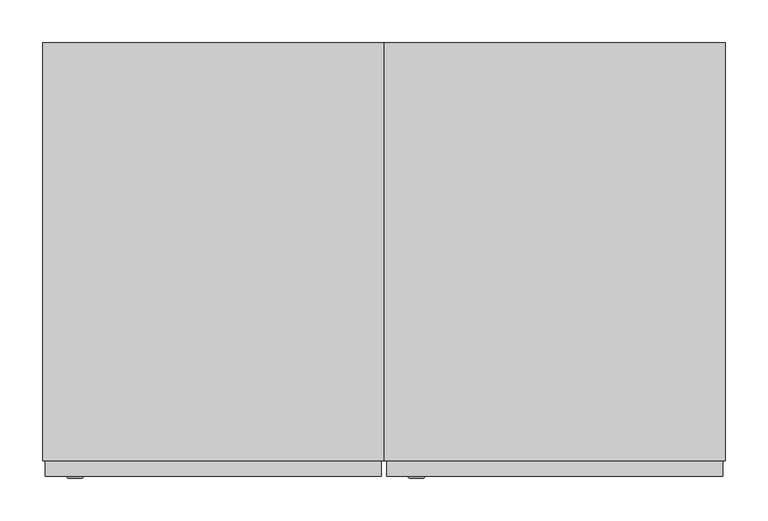
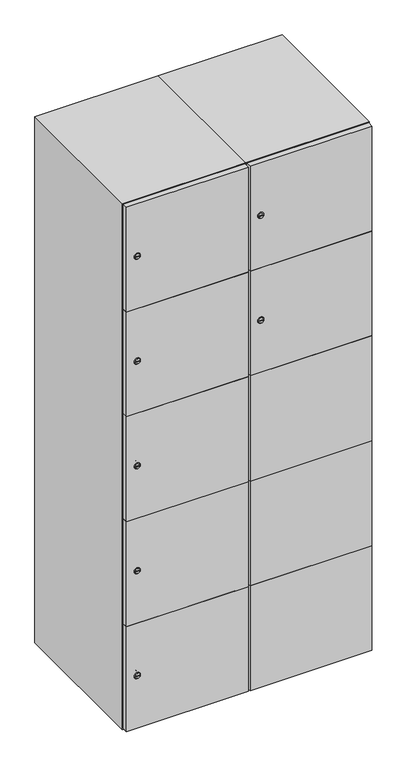
"""IFC4 building model written with IfcOpenShell, lengths in millimetres: furniture geometry."""

from ifc_helpers import new_model, si_unit, point, frame, frame_2d, origin, place, context, project, spatial, polyline, circle_curve, trimmed, segment, composite_curve, outline, extrude, faceted_brep, source, transform, mapped, element, save
from ifc_brep_helpers import plane_surface, revolved_surface, advanced_brep


def furniture_28fcaf75(model_context):
    return source(origin(), model_context, "Body", "SolidModel", [
        advanced_brep(
        [(246.5, -265.2, 1358.8), (229.5, -265.2, 1358.8), (233.0, -265.2, 1357.55), (233.0, -265.2, 1360.05), (243.0, -265.2, 1360.05), (243.0, -265.2, 1357.55), (248.5, -263.0, 1358.8), (227.5, -263.0, 1358.8), (233.0, -263.0, 1360.05), (233.0, -263.0, 1357.55), (243.0, -263.0, 1357.55), (243.0, -263.0, 1360.05)],
        [
            (0, 1, circle_curve(frame((238.0, -265.2, 1358.8), z_axis=(0.0, -1.0, 0.0), x_axis=(1.0, 0.0, 0.0)), 8.5)),
            (1, 0, circle_curve(frame((238.0, -265.2, 1358.8), z_axis=(0.0, -1.0, 0.0), x_axis=(-1.0, 0.0, 0.0)), 8.5)),
            (2, 3),
            (3, 4),
            (4, 5),
            (5, 2),
            (6, 7, circle_curve(frame((238.0, -263.0, 1358.8), z_axis=(0.0, 1.0, 0.0), x_axis=(-1.0, 0.0, 0.0)), 10.5)),
            (7, 6, circle_curve(frame((238.0, -263.0, 1358.8), z_axis=(0.0, 1.0, 0.0), x_axis=(1.0, 0.0, 0.0)), 10.5)),
            (8, 9),
            (9, 10),
            (10, 11),
            (11, 8),
            (0, 6),
            (7, 1),
            (8, 3),
            (2, 9),
            (11, 4),
            (10, 5),
        ],
        [
            plane_surface(frame((238.0, -265.2, 1358.8), z_axis=(0.0, -1.0, 0.0), x_axis=(0.0, 0.0, 1.0))),
            plane_surface(frame((238.0, -263.0, 1358.8), z_axis=(0.0, 1.0, 0.0), x_axis=(0.0, 0.0, 1.0))),
            revolved_surface(polyline([(246.5, -265.2, 1358.8), (248.5, -263.0, 1358.8)]), (238.0, -274.55, 1358.8), (0.0, 1.0, 0.0)),
            revolved_surface(polyline([(229.5, -265.2, 1358.8), (227.5, -263.0, 1358.8)]), (238.0, -274.55, 1358.8), (0.0, 1.0, 0.0)),
            plane_surface(frame((233.0, -263.0, 1357.55), z_axis=(1.0, 0.0, 0.0), x_axis=(0.0, -1.0, 0.0))),
            plane_surface(frame((233.0, -263.0, 1360.05), z_axis=(0.0, 0.0, -1.0), x_axis=(0.0, -1.0, 0.0))),
            plane_surface(frame((243.0, -263.0, 1360.05), z_axis=(-1.0, 0.0, 0.0), x_axis=(0.0, -1.0, 0.0))),
            plane_surface(frame((243.0, -263.0, 1357.55), z_axis=(0.0, 0.0, 1.0), x_axis=(0.0, -1.0, 0.0))),
        ],
        [
            (0, [[1, 2], [3, 4, 5, 6]]),
            (1, [[7, 8], [9, 10, 11, 12]]),
            (2, [[-1, 13, -8, 14]]),
            (3, [[-2, -14, -7, -13]]),
            (4, [[15, -3, 16, -9]]),
            (5, [[-15, -12, 17, -4]]),
            (6, [[-17, -11, 18, -5]]),
            (7, [[-16, -6, -18, -10]]),
        ],
    ),
        extrude(outline(composite_curve([segment(trimmed(circle_curve(frame_2d((1717.6, 211.2010534)), 7.0), [point((1724.6, 211.2010534))], [point((1710.6, 211.2010534))], False, "CARTESIAN"), True, "CONTINUOUS"), segment(polyline([(1710.6, 211.2010534), (1710.6, 239.2010534)]), True, "CONTINUOUS"), segment(trimmed(circle_curve(frame_2d((1717.6, 239.2010534)), 7.0), [point((1710.6, 239.2010534))], [point((1724.6, 239.2010534))], False, "CARTESIAN"), True, "CONTINUOUS"), segment(polyline([(1724.6, 239.2010534), (1724.6, 211.2010534)]), True, "CONTINUOUS")], self_intersect=False)), frame((0.0, -245.0, 0.0), z_axis=(0.0, 1.0, 0.0), x_axis=(0.0, 0.0, 1.0)), (0.0, 0.0, 1.0), 2.0),
        advanced_brep(
        [(246.5, -265.2, 1717.6), (229.5, -265.2, 1717.6), (233.0, -265.2, 1716.35), (233.0, -265.2, 1718.85), (243.0, -265.2, 1718.85), (243.0, -265.2, 1716.35), (248.5, -263.0, 1717.6), (227.5, -263.0, 1717.6), (233.0, -263.0, 1718.85), (233.0, -263.0, 1716.35), (243.0, -263.0, 1716.35), (243.0, -263.0, 1718.85)],
        [
            (0, 1, circle_curve(frame((238.0, -265.2, 1717.6), z_axis=(0.0, -1.0, 0.0), x_axis=(1.0, 0.0, 0.0)), 8.5)),
            (1, 0, circle_curve(frame((238.0, -265.2, 1717.6), z_axis=(0.0, -1.0, 0.0), x_axis=(-1.0, 0.0, 0.0)), 8.5)),
            (2, 3),
            (3, 4),
            (4, 5),
            (5, 2),
            (6, 7, circle_curve(frame((238.0, -263.0, 1717.6), z_axis=(0.0, 1.0, 0.0), x_axis=(-1.0, 0.0, 0.0)), 10.5)),
            (7, 6, circle_curve(frame((238.0, -263.0, 1717.6), z_axis=(0.0, 1.0, 0.0), x_axis=(1.0, 0.0, 0.0)), 10.5)),
            (8, 9),
            (9, 10),
            (10, 11),
            (11, 8),
            (0, 6),
            (7, 1),
            (8, 3),
            (2, 9),
            (11, 4),
            (10, 5),
        ],
        [
            plane_surface(frame((238.0, -265.2, 1717.6), z_axis=(0.0, -1.0, 0.0), x_axis=(0.0, 0.0, 1.0))),
            plane_surface(frame((238.0, -263.0, 1717.6), z_axis=(0.0, 1.0, 0.0), x_axis=(0.0, 0.0, 1.0))),
            revolved_surface(polyline([(246.5, -265.2, 1717.6), (248.5, -263.0, 1717.6)]), (238.0, -274.55, 1717.6), (0.0, 1.0, 0.0)),
            revolved_surface(polyline([(229.5, -265.2, 1717.6), (227.5, -263.0, 1717.6)]), (238.0, -274.55, 1717.6), (0.0, 1.0, 0.0)),
            plane_surface(frame((233.0, -263.0, 1716.35), z_axis=(1.0, 0.0, 0.0), x_axis=(0.0, -1.0, 0.0))),
            plane_surface(frame((233.0, -263.0, 1718.85), z_axis=(0.0, 0.0, -1.0), x_axis=(0.0, -1.0, 0.0))),
            plane_surface(frame((243.0, -263.0, 1718.85), z_axis=(-1.0, 0.0, 0.0), x_axis=(0.0, -1.0, 0.0))),
            plane_surface(frame((243.0, -263.0, 1716.35), z_axis=(0.0, 0.0, 1.0), x_axis=(0.0, -1.0, 0.0))),
        ],
        [
            (0, [[1, 2], [3, 4, 5, 6]]),
            (1, [[7, 8], [9, 10, 11, 12]]),
            (2, [[-1, 13, -8, 14]]),
            (3, [[-2, -14, -7, -13]]),
            (4, [[15, -3, 16, -9]]),
            (5, [[-15, -12, 17, -4]]),
            (6, [[-17, -11, 18, -5]]),
            (7, [[-16, -6, -18, -10]]),
        ],
    ),
        extrude(outline(polyline([(597.0, -245.0), (597.0, -263.0), (203.0, -263.0), (203.0, -245.0), (597.0, -245.0)])), frame((0.0, 0.0, 820.1), z_axis=(0.0, 0.0, 1.0), x_axis=(1.0, 0.0, 0.0)), (0.0, 0.0, 1.0), 359.8),
        extrude(outline(polyline([(597.0, -245.0), (597.0, -263.0), (203.0, -263.0), (203.0, -245.0), (597.0, -245.0)])), frame((0.0, 0.0, 461.3), z_axis=(0.0, 0.0, 1.0), x_axis=(1.0, 0.0, 0.0)), (0.0, 0.0, 1.0), 359.8),
        extrude(outline(polyline([(597.0, -245.0), (597.0, -263.0), (203.0, -263.0), (203.0, -245.0), (597.0, -245.0)])), frame((0.0, 0.0, 1178.9), z_axis=(0.0, 0.0, 1.0), x_axis=(1.0, 0.0, 0.0)), (0.0, 0.0, 1.0), 358.8),
        extrude(outline(polyline([(203.0, -263.0), (203.0, -245.0), (597.0, -245.0), (597.0, -263.0), (203.0, -263.0)])), frame((0.0, 0.0, 1538.7), z_axis=(0.0, 0.0, 1.0), x_axis=(1.0, 0.0, 0.0)), (0.0, 0.0, 1.0), 358.3),
        extrude(outline(polyline([(597.0, -245.0), (597.0, -263.0), (203.0, -263.0), (203.0, -245.0), (597.0, -245.0)])), frame((0.0, 0.0, 103.0), z_axis=(0.0, 0.0, 1.0), x_axis=(1.0, 0.0, 0.0)), (0.0, 0.0, 1.0), 359.3),
        extrude(outline(polyline([(582.0, 227.0), (582.0, -227.0), (218.0, -227.0), (218.0, 227.0), (582.0, 227.0)])), frame((0.0, 0.0, 1520.2), z_axis=(0.0, 0.0, 1.0), x_axis=(1.0, 0.0, 0.0)), (0.0, 0.0, 1.0), 18.0),
        extrude(outline(polyline([(582.0, 227.0), (582.0, -227.0), (218.0, -227.0), (218.0, 227.0), (582.0, 227.0)])), frame((0.0, 0.0, 1167.4), z_axis=(0.0, 0.0, 1.0), x_axis=(1.0, 0.0, 0.0)), (0.0, 0.0, 1.0), 18.0),
        extrude(outline(polyline([(582.0, 227.0), (582.0, -227.0), (218.0, -227.0), (218.0, 227.0), (582.0, 227.0)])), frame((0.0, 0.0, 814.6), z_axis=(0.0, 0.0, 1.0), x_axis=(1.0, 0.0, 0.0)), (0.0, 0.0, 1.0), 18.0),
        extrude(outline(polyline([(218.0, 227.0), (582.0, 227.0), (582.0, -227.0), (218.0, -227.0), (218.0, 227.0)])), frame((0.0, 0.0, 461.8), z_axis=(0.0, 0.0, 1.0), x_axis=(1.0, 0.0, 0.0)), (0.0, 0.0, 1.0), 18.0),
        faceted_brep([(600.0, -245.0, 100.0), (600.0, -245.0, 1900.0), (200.0, -245.0, 1900.0), (200.0, -245.0, 100.0), (582.0, -245.0, 1882.0), (582.0, -245.0, 118.0), (218.0, -245.0, 118.0), (218.0, -245.0, 1882.0), (600.0, 245.0, 100.0), (200.0, 245.0, 100.0), (600.0, 245.0, 1900.0), (200.0, 245.0, 1900.0), (582.0, 227.0, 1882.0), (582.0, 227.0, 118.0), (200.0, 245.0, 1882.0), (218.0, 227.0, 1882.0), (218.0, 227.0, 118.0)], [[[0, 1, 2, 3], [4, 5, 6, 7]], [[8, 0, 3, 9]], [[1, 0, 8, 10]], [[1, 10, 11, 2]], [[4, 12, 13, 5]], [[9, 3, 2, 11, 14]], [[10, 8, 9, 14, 11]], [[12, 15, 16, 13]], [[15, 7, 6, 16]], [[4, 7, 15, 12]], [[6, 5, 13, 16]]]),
        extrude(outline(composite_curve([segment(trimmed(circle_curve(frame_2d((282.4, -188.7989466)), 7.0), [point((289.4, -188.7989466))], [point((275.4, -188.7989466))], False, "CARTESIAN"), True, "CONTINUOUS"), segment(polyline([(275.4, -188.7989466), (275.4, -160.7989466)]), True, "CONTINUOUS"), segment(trimmed(circle_curve(frame_2d((282.4, -160.7989466)), 7.0), [point((275.4, -160.7989466))], [point((289.4, -160.7989466))], False, "CARTESIAN"), True, "CONTINUOUS"), segment(polyline([(289.4, -160.7989466), (289.4, -188.7989466)]), True, "CONTINUOUS")], self_intersect=False)), frame((0.0, -245.0, 0.0), z_axis=(0.0, 1.0, 0.0), x_axis=(0.0, 0.0, 1.0)), (0.0, 0.0, 1.0), 2.0),
        advanced_brep(
        [(-153.5, -265.2, 282.4), (-170.5, -265.2, 282.4), (-167.0, -265.2, 281.15), (-167.0, -265.2, 283.65), (-157.0, -265.2, 283.65), (-157.0, -265.2, 281.15), (-151.5, -263.0, 282.4), (-172.5, -263.0, 282.4), (-167.0, -263.0, 283.65), (-167.0, -263.0, 281.15), (-157.0, -263.0, 281.15), (-157.0, -263.0, 283.65)],
        [
            (0, 1, circle_curve(frame((-162.0, -265.2, 282.4), z_axis=(0.0, -1.0, 0.0), x_axis=(1.0, 0.0, 0.0)), 8.5)),
            (1, 0, circle_curve(frame((-162.0, -265.2, 282.4), z_axis=(0.0, -1.0, 0.0), x_axis=(-1.0, 0.0, 0.0)), 8.5)),
            (2, 3),
            (3, 4),
            (4, 5),
            (5, 2),
            (6, 7, circle_curve(frame((-162.0, -263.0, 282.4), z_axis=(0.0, 1.0, 0.0), x_axis=(-1.0, 0.0, 0.0)), 10.5)),
            (7, 6, circle_curve(frame((-162.0, -263.0, 282.4), z_axis=(0.0, 1.0, 0.0), x_axis=(1.0, 0.0, 0.0)), 10.5)),
            (8, 9),
            (9, 10),
            (10, 11),
            (11, 8),
            (0, 6),
            (7, 1),
            (8, 3),
            (2, 9),
            (11, 4),
            (10, 5),
        ],
        [
            plane_surface(frame((-162.0, -265.2, 282.4), z_axis=(0.0, -1.0, 0.0), x_axis=(0.0, 0.0, 1.0))),
            plane_surface(frame((-162.0, -263.0, 282.4), z_axis=(0.0, 1.0, 0.0), x_axis=(0.0, 0.0, 1.0))),
            revolved_surface(polyline([(-153.5, -265.2, 282.4), (-151.5, -263.0, 282.4)]), (-162.0, -274.55, 282.4), (0.0, 1.0, 0.0)),
            revolved_surface(polyline([(-170.5, -265.2, 282.4), (-172.5, -263.0, 282.4)]), (-162.0, -274.55, 282.4), (0.0, 1.0, 0.0)),
            plane_surface(frame((-167.0, -263.0, 281.15), z_axis=(1.0, 0.0, 0.0), x_axis=(0.0, -1.0, 0.0))),
            plane_surface(frame((-167.0, -263.0, 283.65), z_axis=(0.0, 0.0, -1.0), x_axis=(0.0, -1.0, 0.0))),
            plane_surface(frame((-157.0, -263.0, 283.65), z_axis=(-1.0, 0.0, 0.0), x_axis=(0.0, -1.0, 0.0))),
            plane_surface(frame((-157.0, -263.0, 281.15), z_axis=(0.0, 0.0, 1.0), x_axis=(0.0, -1.0, 0.0))),
        ],
        [
            (0, [[1, 2], [3, 4, 5, 6]]),
            (1, [[7, 8], [9, 10, 11, 12]]),
            (2, [[-1, 13, -8, 14]]),
            (3, [[-2, -14, -7, -13]]),
            (4, [[15, -3, 16, -9]]),
            (5, [[-15, -12, 17, -4]]),
            (6, [[-17, -11, 18, -5]]),
            (7, [[-16, -6, -18, -10]]),
        ],
    ),
        extrude(outline(composite_curve([segment(trimmed(circle_curve(frame_2d((641.2, -188.7989466)), 7.0), [point((648.2, -188.7989466))], [point((634.2, -188.7989466))], False, "CARTESIAN"), True, "CONTINUOUS"), segment(polyline([(634.2, -188.7989466), (634.2, -160.7989466)]), True, "CONTINUOUS"), segment(trimmed(circle_curve(frame_2d((641.2, -160.7989466)), 7.0), [point((634.2, -160.7989466))], [point((648.2, -160.7989466))], False, "CARTESIAN"), True, "CONTINUOUS"), segment(polyline([(648.2, -160.7989466), (648.2, -188.7989466)]), True, "CONTINUOUS")], self_intersect=False)), frame((0.0, -245.0, 0.0), z_axis=(0.0, 1.0, 0.0), x_axis=(0.0, 0.0, 1.0)), (0.0, 0.0, 1.0), 2.0),
        advanced_brep(
        [(-153.5, -265.2, 641.2), (-170.5, -265.2, 641.2), (-167.0, -265.2, 639.95), (-167.0, -265.2, 642.45), (-157.0, -265.2, 642.45), (-157.0, -265.2, 639.95), (-151.5, -263.0, 641.2), (-172.5, -263.0, 641.2), (-167.0, -263.0, 642.45), (-167.0, -263.0, 639.95), (-157.0, -263.0, 639.95), (-157.0, -263.0, 642.45)],
        [
            (0, 1, circle_curve(frame((-162.0, -265.2, 641.2), z_axis=(0.0, -1.0, 0.0), x_axis=(1.0, 0.0, 0.0)), 8.5)),
            (1, 0, circle_curve(frame((-162.0, -265.2, 641.2), z_axis=(0.0, -1.0, 0.0), x_axis=(-1.0, 0.0, 0.0)), 8.5)),
            (2, 3),
            (3, 4),
            (4, 5),
            (5, 2),
            (6, 7, circle_curve(frame((-162.0, -263.0, 641.2), z_axis=(0.0, 1.0, 0.0), x_axis=(-1.0, 0.0, 0.0)), 10.5)),
            (7, 6, circle_curve(frame((-162.0, -263.0, 641.2), z_axis=(0.0, 1.0, 0.0), x_axis=(1.0, 0.0, 0.0)), 10.5)),
            (8, 9),
            (9, 10),
            (10, 11),
            (11, 8),
            (0, 6),
            (7, 1),
            (8, 3),
            (2, 9),
            (11, 4),
            (10, 5),
        ],
        [
            plane_surface(frame((-162.0, -265.2, 641.2), z_axis=(0.0, -1.0, 0.0), x_axis=(0.0, 0.0, 1.0))),
            plane_surface(frame((-162.0, -263.0, 641.2), z_axis=(0.0, 1.0, 0.0), x_axis=(0.0, 0.0, 1.0))),
            revolved_surface(polyline([(-153.5, -265.2, 641.2), (-151.5, -263.0, 641.2)]), (-162.0, -274.55, 641.2), (0.0, 1.0, 0.0)),
            revolved_surface(polyline([(-170.5, -265.2, 641.2), (-172.5, -263.0, 641.2)]), (-162.0, -274.55, 641.2), (0.0, 1.0, 0.0)),
            plane_surface(frame((-167.0, -263.0, 639.95), z_axis=(1.0, 0.0, 0.0), x_axis=(0.0, -1.0, 0.0))),
            plane_surface(frame((-167.0, -263.0, 642.45), z_axis=(0.0, 0.0, -1.0), x_axis=(0.0, -1.0, 0.0))),
            plane_surface(frame((-157.0, -263.0, 642.45), z_axis=(-1.0, 0.0, 0.0), x_axis=(0.0, -1.0, 0.0))),
            plane_surface(frame((-157.0, -263.0, 639.95), z_axis=(0.0, 0.0, 1.0), x_axis=(0.0, -1.0, 0.0))),
        ],
        [
            (0, [[1, 2], [3, 4, 5, 6]]),
            (1, [[7, 8], [9, 10, 11, 12]]),
            (2, [[-1, 13, -8, 14]]),
            (3, [[-2, -14, -7, -13]]),
            (4, [[15, -3, 16, -9]]),
            (5, [[-15, -12, 17, -4]]),
            (6, [[-17, -11, 18, -5]]),
            (7, [[-16, -6, -18, -10]]),
        ],
    ),
        extrude(outline(composite_curve([segment(trimmed(circle_curve(frame_2d((1000.0, -188.7989466)), 7.0), [point((1007.0, -188.7989466))], [point((993.0, -188.7989466))], False, "CARTESIAN"), True, "CONTINUOUS"), segment(polyline([(993.0, -188.7989466), (993.0, -160.7989466)]), True, "CONTINUOUS"), segment(trimmed(circle_curve(frame_2d((1000.0, -160.7989466)), 7.0), [point((993.0, -160.7989466))], [point((1007.0, -160.7989466))], False, "CARTESIAN"), True, "CONTINUOUS"), segment(polyline([(1007.0, -160.7989466), (1007.0, -188.7989466)]), True, "CONTINUOUS")], self_intersect=False)), frame((0.0, -245.0, 0.0), z_axis=(0.0, 1.0, 0.0), x_axis=(0.0, 0.0, 1.0)), (0.0, 0.0, 1.0), 2.0),
        advanced_brep(
        [(-153.5, -265.2, 1000.0), (-170.5, -265.2, 1000.0), (-167.0, -265.2, 998.75), (-167.0, -265.2, 1001.25), (-157.0, -265.2, 1001.25), (-157.0, -265.2, 998.75), (-151.5, -263.0, 1000.0), (-172.5, -263.0, 1000.0), (-167.0, -263.0, 1001.25), (-167.0, -263.0, 998.75), (-157.0, -263.0, 998.75), (-157.0, -263.0, 1001.25)],
        [
            (0, 1, circle_curve(frame((-162.0, -265.2, 1000.0), z_axis=(0.0, -1.0, 0.0), x_axis=(1.0, 0.0, 0.0)), 8.5)),
            (1, 0, circle_curve(frame((-162.0, -265.2, 1000.0), z_axis=(0.0, -1.0, 0.0), x_axis=(-1.0, 0.0, 0.0)), 8.5)),
            (2, 3),
            (3, 4),
            (4, 5),
            (5, 2),
            (6, 7, circle_curve(frame((-162.0, -263.0, 1000.0), z_axis=(0.0, 1.0, 0.0), x_axis=(-1.0, 0.0, 0.0)), 10.5)),
            (7, 6, circle_curve(frame((-162.0, -263.0, 1000.0), z_axis=(0.0, 1.0, 0.0), x_axis=(1.0, 0.0, 0.0)), 10.5)),
            (8, 9),
            (9, 10),
            (10, 11),
            (11, 8),
            (0, 6),
            (7, 1),
            (8, 3),
            (2, 9),
            (11, 4),
            (10, 5),
        ],
        [
            plane_surface(frame((-162.0, -265.2, 1000.0), z_axis=(0.0, -1.0, 0.0), x_axis=(0.0, 0.0, 1.0))),
            plane_surface(frame((-162.0, -263.0, 1000.0), z_axis=(0.0, 1.0, 0.0), x_axis=(0.0, 0.0, 1.0))),
            revolved_surface(polyline([(-153.5, -265.2, 1000.0), (-151.5, -263.0, 1000.0)]), (-162.0, -274.55, 1000.0), (0.0, 1.0, 0.0)),
            revolved_surface(polyline([(-170.5, -265.2, 1000.0), (-172.5, -263.0, 1000.0)]), (-162.0, -274.55, 1000.0), (0.0, 1.0, 0.0)),
            plane_surface(frame((-167.0, -263.0, 998.75), z_axis=(1.0, 0.0, 0.0), x_axis=(0.0, -1.0, 0.0))),
            plane_surface(frame((-167.0, -263.0, 1001.25), z_axis=(0.0, 0.0, -1.0), x_axis=(0.0, -1.0, 0.0))),
            plane_surface(frame((-157.0, -263.0, 1001.25), z_axis=(-1.0, 0.0, 0.0), x_axis=(0.0, -1.0, 0.0))),
            plane_surface(frame((-157.0, -263.0, 998.75), z_axis=(0.0, 0.0, 1.0), x_axis=(0.0, -1.0, 0.0))),
        ],
        [
            (0, [[1, 2], [3, 4, 5, 6]]),
            (1, [[7, 8], [9, 10, 11, 12]]),
            (2, [[-1, 13, -8, 14]]),
            (3, [[-2, -14, -7, -13]]),
            (4, [[15, -3, 16, -9]]),
            (5, [[-15, -12, 17, -4]]),
            (6, [[-17, -11, 18, -5]]),
            (7, [[-16, -6, -18, -10]]),
        ],
    ),
        extrude(outline(composite_curve([segment(trimmed(circle_curve(frame_2d((1358.8, -188.7989466)), 7.0), [point((1365.8, -188.7989466))], [point((1351.8, -188.7989466))], False, "CARTESIAN"), True, "CONTINUOUS"), segment(polyline([(1351.8, -188.7989466), (1351.8, -160.7989466)]), True, "CONTINUOUS"), segment(trimmed(circle_curve(frame_2d((1358.8, -160.7989466)), 7.0), [point((1351.8, -160.7989466))], [point((1365.8, -160.7989466))], False, "CARTESIAN"), True, "CONTINUOUS"), segment(polyline([(1365.8, -160.7989466), (1365.8, -188.7989466)]), True, "CONTINUOUS")], self_intersect=False)), frame((0.0, -245.0, 0.0), z_axis=(0.0, 1.0, 0.0), x_axis=(0.0, 0.0, 1.0)), (0.0, 0.0, 1.0), 2.0),
        advanced_brep(
        [(-153.5, -265.2, 1358.8), (-170.5, -265.2, 1358.8), (-167.0, -265.2, 1357.55), (-167.0, -265.2, 1360.05), (-157.0, -265.2, 1360.05), (-157.0, -265.2, 1357.55), (-151.5, -263.0, 1358.8), (-172.5, -263.0, 1358.8), (-167.0, -263.0, 1360.05), (-167.0, -263.0, 1357.55), (-157.0, -263.0, 1357.55), (-157.0, -263.0, 1360.05)],
        [
            (0, 1, circle_curve(frame((-162.0, -265.2, 1358.8), z_axis=(0.0, -1.0, 0.0), x_axis=(1.0, 0.0, 0.0)), 8.5)),
            (1, 0, circle_curve(frame((-162.0, -265.2, 1358.8), z_axis=(0.0, -1.0, 0.0), x_axis=(-1.0, 0.0, 0.0)), 8.5)),
            (2, 3),
            (3, 4),
            (4, 5),
            (5, 2),
            (6, 7, circle_curve(frame((-162.0, -263.0, 1358.8), z_axis=(0.0, 1.0, 0.0), x_axis=(-1.0, 0.0, 0.0)), 10.5)),
            (7, 6, circle_curve(frame((-162.0, -263.0, 1358.8), z_axis=(0.0, 1.0, 0.0), x_axis=(1.0, 0.0, 0.0)), 10.5)),
            (8, 9),
            (9, 10),
            (10, 11),
            (11, 8),
            (0, 6),
            (7, 1),
            (8, 3),
            (2, 9),
            (11, 4),
            (10, 5),
        ],
        [
            plane_surface(frame((-162.0, -265.2, 1358.8), z_axis=(0.0, -1.0, 0.0), x_axis=(0.0, 0.0, 1.0))),
            plane_surface(frame((-162.0, -263.0, 1358.8), z_axis=(0.0, 1.0, 0.0), x_axis=(0.0, 0.0, 1.0))),
            revolved_surface(polyline([(-153.5, -265.2, 1358.8), (-151.5, -263.0, 1358.8)]), (-162.0, -274.55, 1358.8), (0.0, 1.0, 0.0)),
            revolved_surface(polyline([(-170.5, -265.2, 1358.8), (-172.5, -263.0, 1358.8)]), (-162.0, -274.55, 1358.8), (0.0, 1.0, 0.0)),
            plane_surface(frame((-167.0, -263.0, 1357.55), z_axis=(1.0, 0.0, 0.0), x_axis=(0.0, -1.0, 0.0))),
            plane_surface(frame((-167.0, -263.0, 1360.05), z_axis=(0.0, 0.0, -1.0), x_axis=(0.0, -1.0, 0.0))),
            plane_surface(frame((-157.0, -263.0, 1360.05), z_axis=(-1.0, 0.0, 0.0), x_axis=(0.0, -1.0, 0.0))),
            plane_surface(frame((-157.0, -263.0, 1357.55), z_axis=(0.0, 0.0, 1.0), x_axis=(0.0, -1.0, 0.0))),
        ],
        [
            (0, [[1, 2], [3, 4, 5, 6]]),
            (1, [[7, 8], [9, 10, 11, 12]]),
            (2, [[-1, 13, -8, 14]]),
            (3, [[-2, -14, -7, -13]]),
            (4, [[15, -3, 16, -9]]),
            (5, [[-15, -12, 17, -4]]),
            (6, [[-17, -11, 18, -5]]),
            (7, [[-16, -6, -18, -10]]),
        ],
    ),
        extrude(outline(composite_curve([segment(trimmed(circle_curve(frame_2d((1717.6, -188.7989466)), 7.0), [point((1724.6, -188.7989466))], [point((1710.6, -188.7989466))], False, "CARTESIAN"), True, "CONTINUOUS"), segment(polyline([(1710.6, -188.7989466), (1710.6, -160.7989466)]), True, "CONTINUOUS"), segment(trimmed(circle_curve(frame_2d((1717.6, -160.7989466)), 7.0), [point((1710.6, -160.7989466))], [point((1724.6, -160.7989466))], False, "CARTESIAN"), True, "CONTINUOUS"), segment(polyline([(1724.6, -160.7989466), (1724.6, -188.7989466)]), True, "CONTINUOUS")], self_intersect=False)), frame((0.0, -245.0, 0.0), z_axis=(0.0, 1.0, 0.0), x_axis=(0.0, 0.0, 1.0)), (0.0, 0.0, 1.0), 2.0),
        advanced_brep(
        [(-153.5, -265.2, 1717.6), (-170.5, -265.2, 1717.6), (-167.0, -265.2, 1716.35), (-167.0, -265.2, 1718.85), (-157.0, -265.2, 1718.85), (-157.0, -265.2, 1716.35), (-151.5, -263.0, 1717.6), (-172.5, -263.0, 1717.6), (-167.0, -263.0, 1718.85), (-167.0, -263.0, 1716.35), (-157.0, -263.0, 1716.35), (-157.0, -263.0, 1718.85)],
        [
            (0, 1, circle_curve(frame((-162.0, -265.2, 1717.6), z_axis=(0.0, -1.0, 0.0), x_axis=(1.0, 0.0, 0.0)), 8.5)),
            (1, 0, circle_curve(frame((-162.0, -265.2, 1717.6), z_axis=(0.0, -1.0, 0.0), x_axis=(-1.0, 0.0, 0.0)), 8.5)),
            (2, 3),
            (3, 4),
            (4, 5),
            (5, 2),
            (6, 7, circle_curve(frame((-162.0, -263.0, 1717.6), z_axis=(0.0, 1.0, 0.0), x_axis=(-1.0, 0.0, 0.0)), 10.5)),
            (7, 6, circle_curve(frame((-162.0, -263.0, 1717.6), z_axis=(0.0, 1.0, 0.0), x_axis=(1.0, 0.0, 0.0)), 10.5)),
            (8, 9),
            (9, 10),
            (10, 11),
            (11, 8),
            (0, 6),
            (7, 1),
            (8, 3),
            (2, 9),
            (11, 4),
            (10, 5),
        ],
        [
            plane_surface(frame((-162.0, -265.2, 1717.6), z_axis=(0.0, -1.0, 0.0), x_axis=(0.0, 0.0, 1.0))),
            plane_surface(frame((-162.0, -263.0, 1717.6), z_axis=(0.0, 1.0, 0.0), x_axis=(0.0, 0.0, 1.0))),
            revolved_surface(polyline([(-153.5, -265.2, 1717.6), (-151.5, -263.0, 1717.6)]), (-162.0, -274.55, 1717.6), (0.0, 1.0, 0.0)),
            revolved_surface(polyline([(-170.5, -265.2, 1717.6), (-172.5, -263.0, 1717.6)]), (-162.0, -274.55, 1717.6), (0.0, 1.0, 0.0)),
            plane_surface(frame((-167.0, -263.0, 1716.35), z_axis=(1.0, 0.0, 0.0), x_axis=(0.0, -1.0, 0.0))),
            plane_surface(frame((-167.0, -263.0, 1718.85), z_axis=(0.0, 0.0, -1.0), x_axis=(0.0, -1.0, 0.0))),
            plane_surface(frame((-157.0, -263.0, 1718.85), z_axis=(-1.0, 0.0, 0.0), x_axis=(0.0, -1.0, 0.0))),
            plane_surface(frame((-157.0, -263.0, 1716.35), z_axis=(0.0, 0.0, 1.0), x_axis=(0.0, -1.0, 0.0))),
        ],
        [
            (0, [[1, 2], [3, 4, 5, 6]]),
            (1, [[7, 8], [9, 10, 11, 12]]),
            (2, [[-1, 13, -8, 14]]),
            (3, [[-2, -14, -7, -13]]),
            (4, [[15, -3, 16, -9]]),
            (5, [[-15, -12, 17, -4]]),
            (6, [[-17, -11, 18, -5]]),
            (7, [[-16, -6, -18, -10]]),
        ],
    ),
        extrude(outline(polyline([(197.0, -245.0), (197.0, -263.0), (-197.0, -263.0), (-197.0, -245.0), (197.0, -245.0)])), frame((0.0, 0.0, 820.1), z_axis=(0.0, 0.0, 1.0), x_axis=(1.0, 0.0, 0.0)), (0.0, 0.0, 1.0), 359.8),
        extrude(outline(polyline([(197.0, -245.0), (197.0, -263.0), (-197.0, -263.0), (-197.0, -245.0), (197.0, -245.0)])), frame((0.0, 0.0, 461.3), z_axis=(0.0, 0.0, 1.0), x_axis=(1.0, 0.0, 0.0)), (0.0, 0.0, 1.0), 359.8),
        extrude(outline(polyline([(197.0, -245.0), (197.0, -263.0), (-197.0, -263.0), (-197.0, -245.0), (197.0, -245.0)])), frame((0.0, 0.0, 1178.9), z_axis=(0.0, 0.0, 1.0), x_axis=(1.0, 0.0, 0.0)), (0.0, 0.0, 1.0), 358.8),
        extrude(outline(polyline([(-197.0, -263.0), (-197.0, -245.0), (197.0, -245.0), (197.0, -263.0), (-197.0, -263.0)])), frame((0.0, 0.0, 1538.7), z_axis=(0.0, 0.0, 1.0), x_axis=(1.0, 0.0, 0.0)), (0.0, 0.0, 1.0), 358.3),
        extrude(outline(polyline([(197.0, -245.0), (197.0, -263.0), (-197.0, -263.0), (-197.0, -245.0), (197.0, -245.0)])), frame((0.0, 0.0, 103.0), z_axis=(0.0, 0.0, 1.0), x_axis=(1.0, 0.0, 0.0)), (0.0, 0.0, 1.0), 359.3),
        extrude(outline(polyline([(182.0, 227.0), (182.0, -227.0), (-182.0, -227.0), (-182.0, 227.0), (182.0, 227.0)])), frame((0.0, 0.0, 1520.2), z_axis=(0.0, 0.0, 1.0), x_axis=(1.0, 0.0, 0.0)), (0.0, 0.0, 1.0), 18.0),
        extrude(outline(polyline([(182.0, 227.0), (182.0, -227.0), (-182.0, -227.0), (-182.0, 227.0), (182.0, 227.0)])), frame((0.0, 0.0, 1167.4), z_axis=(0.0, 0.0, 1.0), x_axis=(1.0, 0.0, 0.0)), (0.0, 0.0, 1.0), 18.0),
        extrude(outline(polyline([(182.0, 227.0), (182.0, -227.0), (-182.0, -227.0), (-182.0, 227.0), (182.0, 227.0)])), frame((0.0, 0.0, 814.6), z_axis=(0.0, 0.0, 1.0), x_axis=(1.0, 0.0, 0.0)), (0.0, 0.0, 1.0), 18.0),
        extrude(outline(polyline([(-182.0, 227.0), (182.0, 227.0), (182.0, -227.0), (-182.0, -227.0), (-182.0, 227.0)])), frame((0.0, 0.0, 461.8), z_axis=(0.0, 0.0, 1.0), x_axis=(1.0, 0.0, 0.0)), (0.0, 0.0, 1.0), 18.0),
        faceted_brep([(200.0, -245.0, 100.0), (200.0, -245.0, 1900.0), (-200.0, -245.0, 1900.0), (-200.0, -245.0, 100.0), (182.0, -245.0, 1882.0), (182.0, -245.0, 118.0), (-182.0, -245.0, 118.0), (-182.0, -245.0, 1882.0), (200.0, 245.0, 100.0), (-200.0, 245.0, 100.0), (200.0, 245.0, 1900.0), (-200.0, 245.0, 1900.0), (182.0, 227.0, 1882.0), (182.0, 227.0, 118.0), (-200.0, 245.0, 1882.0), (-182.0, 227.0, 1882.0), (-182.0, 227.0, 118.0)], [[[0, 1, 2, 3], [4, 5, 6, 7]], [[8, 0, 3, 9]], [[1, 0, 8, 10]], [[1, 10, 11, 2]], [[4, 12, 13, 5]], [[9, 3, 2, 11, 14]], [[10, 8, 9, 14, 11]], [[12, 15, 16, 13]], [[15, 7, 6, 16]], [[4, 7, 15, 12]], [[6, 5, 13, 16]]]),
    ])


if __name__ == "__main__":
    model = new_model("IFC4")
    model_context = context("Model", 3, world=origin())
    ifc_project = project(units=[si_unit("LENGTHUNIT", "METRE", prefix="MILLI")], contexts=[model_context])
    site = spatial("IfcSite", under=ifc_project)
    building = spatial("IfcBuilding", under=site)
    placement = place(None, origin())
    furniture_shape = furniture_28fcaf75(model_context)
    element("IfcFurniture", 1, at=placement, inside=building, context=model_context, shape_type="MappedRepresentation", body=[
        mapped(furniture_shape, transform((0.0, 0.0, 0.0), x_axis=(1.0, 0.0, 0.0), y_axis=(0.0, 1.0, 0.0), z_axis=(0.0, 0.0, 1.0))),
    ])
    save(model, "model.ifc")
